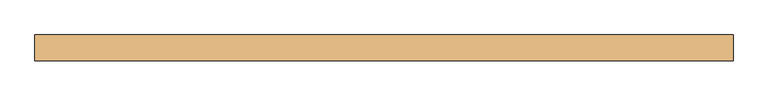
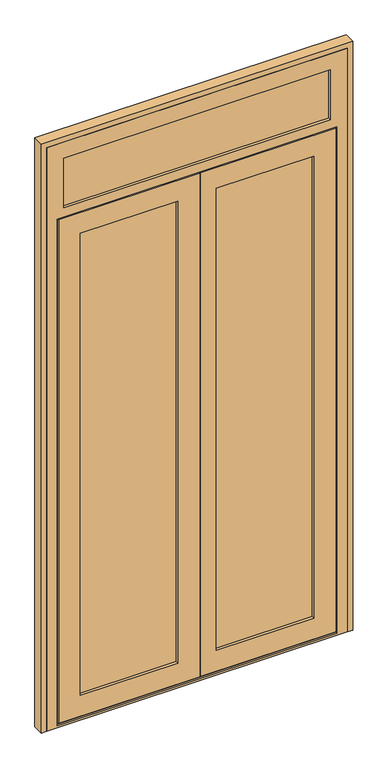
"""IFC4 building model written with IfcOpenShell, lengths in millimetres: door geometry."""

import ifcopenshell
import ifcopenshell.guid

model = None  # the IFC model being written
_history = None  # IfcOwnerHistory: only IFC2X3 demands one
_inside = {}  # id of a spatial element -> (the spatial element, [elements in it])
_under = {}  # id of a project, library or spatial element -> (it, [spatial elements below it])
_declared = {}  # id of a project -> (the project, [libraries it declares])
_typed = {}  # id of a type object -> (the type object, [elements of that type])
_made_of = {}  # id of a material, layer set ... -> (it, [elements and type objects made of it])


def new_model(schema):
    """Start an empty IFC model of exactly this schema.

    Asked for "IFC4X3", IfcOpenShell would pick the latest addendum, in which some entities
    have other attributes; the version numbers below select the first issue.
    IFC2X3 requires an IfcOwnerHistory on every rooted entity: one is made here for all.
    """
    global model, _history
    if schema == "IFC4X3":
        model = ifcopenshell.file(schema_version=(4, 3, 0, 0))
    else:
        model = ifcopenshell.file(schema=schema)
    _inside.clear()
    _under.clear()
    _declared.clear()
    _typed.clear()
    _made_of.clear()
    _history = None
    if model.schema == "IFC2X3":
        org = make("IfcOrganization", Name="unknown")
        user = make(
            "IfcPersonAndOrganization",
            ThePerson=make("IfcPerson", FamilyName="unknown"),
            TheOrganization=org,
        )
        app = make(
            "IfcApplication",
            ApplicationDeveloper=org,
            Version="unknown",
            ApplicationFullName="unknown",
            ApplicationIdentifier="unknown",
        )
        _history = make(
            "IfcOwnerHistory",
            OwningUser=user,
            OwningApplication=app,
            ChangeAction="ADDED",
            CreationDate=0,
        )
    return model


def make(cls, **values):
    """One entity of the class cls with the attributes given. An attribute that is None is left unset."""
    return model.create_entity(
        cls, **{name: value for name, value in values.items() if value is not None}
    )


def rooted(cls, **values):
    """An entity with a GlobalId (a new one), such as an element, a storey or a relation."""
    return make(cls, GlobalId=ifcopenshell.guid.new(), OwnerHistory=_history, **values)


def si_unit(unit_type, name, prefix=None):
    """IfcSIUnit, for example si_unit("LENGTHUNIT", "METRE", prefix="MILLI")."""
    return make("IfcSIUnit", UnitType=unit_type, Prefix=prefix, Name=name)


def assignment(units):
    """IfcUnitAssignment: the units of a project."""
    return None if units is None else make("IfcUnitAssignment", Units=units)


def point(xyz):
    """IfcCartesianPoint."""
    return None if xyz is None else make("IfcCartesianPoint", Coordinates=xyz)


def direction(xyz):
    """IfcDirection."""
    return None if xyz is None else make("IfcDirection", DirectionRatios=xyz)


def frame(location, z_axis=None, x_axis=None):
    """IfcAxis2Placement3D, a coordinate frame: its origin and axes. An axis left out is left unset."""
    return make(
        "IfcAxis2Placement3D",
        Location=point(location),
        Axis=direction(z_axis),
        RefDirection=direction(x_axis),
    )


def origin():
    """The frame at (0, 0, 0) with its axes left unset."""
    return frame((0.0, 0.0, 0.0))


def place(relative_to, where):
    """IfcLocalPlacement: puts the frame where relative to a parent placement (None: the world)."""
    return make(
        "IfcLocalPlacement", PlacementRelTo=relative_to, RelativePlacement=where
    )


def context(
    kind, dimensions, precision=None, world=None, true_north=None, identifier=None
):
    """IfcGeometricRepresentationContext, for example the 3D "Model" context."""
    return make(
        "IfcGeometricRepresentationContext",
        ContextIdentifier=identifier,
        ContextType=kind,
        CoordinateSpaceDimension=dimensions,
        Precision=precision,
        WorldCoordinateSystem=world,
        TrueNorth=true_north,
    )


def project(units=None, contexts=None):
    """IfcProject with its units and contexts."""
    return rooted(
        "IfcProject",
        Name="project",
        RepresentationContexts=contexts,
        UnitsInContext=assignment(units),
    )


def spatial(cls, under=None, at=None, **own):
    """A site, building, storey or space (cls), placed at a placement, below another one or the project."""
    s = rooted(cls, ObjectPlacement=at, **own)
    if under is not None:
        _under.setdefault(under.id(), (under, []))[1].append(s)
    return s


def polyline(points):
    """IfcPolyline through the points."""
    return make("IfcPolyline", Points=[point(p) for p in points])


def outline(outer, holes=None, kind="AREA"):
    """IfcArbitraryClosedProfileDef: a profile drawn as a closed curve; with holes, ...WithVoids."""
    if holes is None:
        return make("IfcArbitraryClosedProfileDef", ProfileType=kind, OuterCurve=outer)
    return make(
        "IfcArbitraryProfileDefWithVoids",
        ProfileType=kind,
        OuterCurve=outer,
        InnerCurves=holes,
    )


def extrude(swept, where, along, depth):
    """IfcExtrudedAreaSolid: the profile swept, set in the frame where, extruded along a direction by depth."""
    return make(
        "IfcExtrudedAreaSolid",
        SweptArea=swept,
        Position=where,
        ExtrudedDirection=direction(along),
        Depth=depth,
    )


def faces_of(points, faces, orient=None, outer=None):
    """IfcFace entities. A face is a list of loops; a loop is a list of indices into points, from 0.

    orient and outer hold one flag for each loop. By default every Orientation is true, the
    first loop of a face is its IfcFaceOuterBound and the others are IfcFaceBound.
    """
    made = []
    for i, loops in enumerate(faces):
        bounds = []
        for j, loop in enumerate(loops):
            is_outer = j == 0 if outer is None else outer[i][j]
            bounds.append(
                make(
                    "IfcFaceOuterBound" if is_outer else "IfcFaceBound",
                    Bound=make("IfcPolyLoop", Polygon=[points[k] for k in loop]),
                    Orientation=True if orient is None else orient[i][j],
                )
            )
        made.append(make("IfcFace", Bounds=bounds))
    return made


def faceted_brep(points, faces, orient=None, outer=None, voids=None):
    """IfcFacetedBrep: a solid bounded by flat faces; with voids (closed shells), ...WithVoids."""
    shared = [point(p) for p in points]
    hull = make("IfcClosedShell", CfsFaces=faces_of(shared, faces, orient, outer))
    if voids is None:
        return make("IfcFacetedBrep", Outer=hull)
    return make(
        "IfcFacetedBrepWithVoids",
        Outer=hull,
        Voids=[
            make(cls, CfsFaces=faces_of(shared, fs, o, b)) for cls, fs, o, b in voids
        ],
    )


def shape(context_of_items, identifier, shape_type, items):
    """IfcShapeRepresentation: the items that make up one representation, for example the "Body"."""
    return make(
        "IfcShapeRepresentation",
        ContextOfItems=context_of_items,
        RepresentationIdentifier=identifier,
        RepresentationType=shape_type,
        Items=items,
    )


def source(mapping_origin, context_of_items, identifier, shape_type, items):
    """IfcRepresentationMap: a shape defined once, which mapped items show again and again."""
    return make(
        "IfcRepresentationMap",
        MappingOrigin=mapping_origin,
        MappedRepresentation=shape(context_of_items, identifier, shape_type, items),
    )


def transform(
    local_origin,
    x_axis=None,
    y_axis=None,
    z_axis=None,
    scale=None,
    scale2=None,
    scale3=None,
    uniform=True,
):
    """IfcCartesianTransformationOperator3D, or its non-uniform kind. x_axis, y_axis, z_axis: its Axis1, 2, 3."""
    if uniform:
        return make(
            "IfcCartesianTransformationOperator3D",
            Axis1=direction(x_axis),
            Axis2=direction(y_axis),
            LocalOrigin=point(local_origin),
            Scale=scale,
            Axis3=direction(z_axis),
        )
    return make(
        "IfcCartesianTransformationOperator3DnonUniform",
        Axis1=direction(x_axis),
        Axis2=direction(y_axis),
        LocalOrigin=point(local_origin),
        Scale=scale,
        Axis3=direction(z_axis),
        Scale2=scale2,
        Scale3=scale3,
    )


def mapped(mapping_source, mapping_target):
    """IfcMappedItem: shows the shape of a source again, moved by a transform."""
    return make(
        "IfcMappedItem", MappingSource=mapping_source, MappingTarget=mapping_target
    )


def made_of(thing, what):
    """Note that an element or type object is made of a material, layer set ...; save() writes the relation."""
    if what is not None:
        _made_of.setdefault(what.id(), (what, []))[1].append(thing)
    return thing


def element(
    cls,
    number,
    at=None,
    inside=None,
    cuts=None,
    type_object=None,
    material=None,
    context=None,
    identifier="Body",
    shape_type=None,
    held_by="IfcProductDefinitionShape",
    body=None,
    shapes=None,
    **own,
):
    """One element of the class cls, such as IfcWall. Its Tag is "e" and its number.

    at: its placement. inside: the storey or other place that contains it. cuts: it is an
    opening in that element (IfcRelVoidsElement). A single representation is given by context,
    identifier, shape_type and body (its items); several are given by shapes. held_by: the class
    of the entity that holds the representations. save() writes the other relations.
    """
    e = rooted(cls, Tag="e%d" % number, ObjectPlacement=at, **own)
    if body is not None:
        shapes = [shape(context, identifier, shape_type, body)]
    if shapes is not None:
        e.Representation = make(held_by, Representations=shapes)
    if inside is not None:
        _inside.setdefault(inside.id(), (inside, []))[1].append(e)
    if cuts is not None:
        rooted(
            "IfcRelVoidsElement", RelatingBuildingElement=cuts, RelatedOpeningElement=e
        )
    if type_object is not None:
        _typed.setdefault(type_object.id(), (type_object, []))[1].append(e)
    return made_of(e, material)


def aggregate(whole, parts):
    """IfcRelAggregates: a whole, such as a stair, and the parts it consists of."""
    return rooted("IfcRelAggregates", RelatingObject=whole, RelatedObjects=parts)


def save(model, path):
    """Write the relations noted so far, then the file.

    IfcRelAggregates (storeys below a building ...), IfcRelContainedInSpatialStructure (elements
    in a storey), IfcRelDefinesByType, IfcRelAssociatesMaterial and IfcRelDeclares: one each for
    every whole, place, type object, material and project.
    """
    for whole, parts in _under.values():
        aggregate(whole, parts)
    for where, things in _inside.values():
        rooted(
            "IfcRelContainedInSpatialStructure",
            RelatedElements=things,
            RelatingStructure=where,
        )
    for kind, things in _typed.values():
        rooted("IfcRelDefinesByType", RelatedObjects=things, RelatingType=kind)
    for what, things in _made_of.values():
        rooted("IfcRelAssociatesMaterial", RelatedObjects=things, RelatingMaterial=what)
    for by, libraries in _declared.values():
        rooted("IfcRelDeclares", RelatingContext=by, RelatedDefinitions=libraries)
    model.write(path)


def door_bba0e1b2(model_context):
    return source(origin(), model_context, "Body", "SolidModel", [
        extrude(outline(polyline([(69.0, 91.0), (69.0, 68.0), (-343.0, 68.0), (-343.0, 91.0), (69.0, 91.0)])), frame((0.0, 0.0, 83.0), z_axis=(0.0, 0.0, 1.0), x_axis=(1.0, 0.0, 0.0)), (0.0, 0.0, 1.0), 1920.0),
        extrude(outline(polyline([(593.0, 91.0), (593.0, 68.0), (181.0, 68.0), (181.0, 91.0), (593.0, 91.0)])), frame((0.0, 0.0, 83.0), z_axis=(0.0, 0.0, 1.0), x_axis=(1.0, 0.0, 0.0)), (0.0, 0.0, 1.0), 1920.0),
        extrude(outline(polyline([(657.0, 91.0), (657.0, 68.0), (-407.0, 68.0), (-407.0, 91.0), (657.0, 91.0)])), frame((0.0, 0.0, 2093.0), z_axis=(0.0, 0.0, 1.0), x_axis=(1.0, 0.0, 0.0)), (0.0, 0.0, 1.0), 239.0),
        faceted_brep([(-409.0, 64.0, 17.0), (-399.0, 64.0, 17.0), (-399.0, 92.0, 17.0), (-389.0, 92.0, 17.0), (-389.0, 64.0, 17.0), (135.0, 64.0, 17.0), (135.0, 56.0, 17.0), (-409.0, 56.0, 17.0), (659.0, 64.0, 17.0), (659.0, 56.0, 17.0), (140.0, 56.0, 17.0), (140.0, 64.0, 17.0), (639.0, 64.0, 17.0), (639.0, 92.0, 17.0), (649.0, 92.0, 17.0), (649.0, 64.0, 17.0), (-409.0, 56.0, 2069.0), (-409.0, 64.0, 2069.0), (135.0, 56.0, 2069.0), (-325.0, 56.0, 1985.0), (51.0, 56.0, 1985.0), (51.0, 56.0, 101.0), (-325.0, 56.0, 101.0), (659.0, 56.0, 2069.0), (140.0, 56.0, 2069.0), (575.0, 56.0, 101.0), (199.0, 56.0, 101.0), (199.0, 56.0, 1985.0), (575.0, 56.0, 1985.0), (-325.0, 68.0, 101.0), (-325.0, 68.0, 1985.0), (593.0, 68.0, 83.0), (181.0, 68.0, 83.0), (181.0, 68.0, 2003.0), (593.0, 68.0, 2003.0), (575.0, 68.0, 1985.0), (199.0, 68.0, 1985.0), (199.0, 68.0, 101.0), (575.0, 68.0, 101.0), (-343.0, 68.0, 2003.0), (69.0, 68.0, 2003.0), (69.0, 68.0, 83.0), (-343.0, 68.0, 83.0), (51.0, 68.0, 101.0), (51.0, 68.0, 1985.0), (-343.0, 91.0, 83.0), (-343.0, 91.0, 2003.0), (593.0, 91.0, 2003.0), (181.0, 91.0, 2003.0), (181.0, 91.0, 83.0), (593.0, 91.0, 83.0), (575.0, 91.0, 101.0), (199.0, 91.0, 101.0), (199.0, 91.0, 1985.0), (575.0, 91.0, 1985.0), (69.0, 91.0, 83.0), (69.0, 91.0, 2003.0), (-325.0, 91.0, 1985.0), (51.0, 91.0, 1985.0), (51.0, 91.0, 101.0), (-325.0, 91.0, 101.0), (-325.0, 100.0, 101.0), (-325.0, 100.0, 1985.0), (634.0, 100.0, 42.0), (115.0, 100.0, 42.0), (115.0, 100.0, 2044.0), (634.0, 100.0, 2044.0), (575.0, 100.0, 1985.0), (199.0, 100.0, 1985.0), (199.0, 100.0, 101.0), (575.0, 100.0, 101.0), (-384.0, 100.0, 2044.0), (110.0, 100.0, 2044.0), (110.0, 100.0, 42.0), (-384.0, 100.0, 42.0), (51.0, 100.0, 101.0), (51.0, 100.0, 1985.0), (-384.0, 92.0, 42.0), (-384.0, 92.0, 2044.0), (639.0, 92.0, 27.0), (-389.0, 92.0, 27.0), (-399.0, 92.0, 2059.0), (649.0, 92.0, 2059.0), (634.0, 92.0, 2044.0), (115.0, 92.0, 2044.0), (115.0, 92.0, 42.0), (634.0, 92.0, 42.0), (110.0, 92.0, 42.0), (110.0, 92.0, 2044.0), (-399.0, 64.0, 2059.0), (135.0, 64.0, 2069.0), (135.0, 64.0, 2059.0), (649.0, 64.0, 2059.0), (140.0, 64.0, 2059.0), (140.0, 64.0, 2069.0), (659.0, 64.0, 2069.0), (639.0, 64.0, 27.0), (-389.0, 64.0, 27.0), (140.0, 64.0, 27.0), (135.0, 64.0, 27.0)], [[[0, 1, 2, 3, 4, 5, 6, 7]], [[8, 9, 10, 11, 12, 13, 14, 15]], [[7, 16, 17, 0]], [[7, 6, 18, 16], [19, 20, 21, 22]], [[23, 24, 10, 9], [25, 26, 27, 28]], [[19, 22, 29, 30]], [[31, 32, 33, 34], [35, 36, 37, 38]], [[39, 40, 41, 42], [29, 43, 44, 30]], [[39, 42, 45, 46]], [[47, 48, 49, 50], [51, 52, 53, 54]], [[45, 55, 56, 46], [57, 58, 59, 60]], [[57, 60, 61, 62]], [[63, 64, 65, 66], [67, 68, 69, 70]], [[71, 72, 73, 74], [61, 75, 76, 62]], [[71, 74, 77, 78]], [[14, 13, 79, 80, 3, 2, 81, 82], [83, 84, 85, 86], [87, 88, 78, 77]], [[1, 89, 81, 2]], [[0, 17, 90, 91, 89, 1]], [[92, 93, 94, 95, 8, 15]], [[16, 18, 90, 17]], [[95, 94, 24, 23]], [[30, 44, 20, 19]], [[28, 27, 36, 35]], [[46, 56, 40, 39]], [[34, 33, 48, 47]], [[62, 76, 58, 57]], [[54, 53, 68, 67]], [[78, 88, 72, 71]], [[66, 65, 84, 83]], [[89, 91, 93, 92, 82, 81]], [[9, 8, 95, 23]], [[35, 38, 25, 28]], [[47, 50, 31, 34]], [[67, 70, 51, 54]], [[83, 86, 63, 66]], [[82, 92, 15, 14]], [[38, 37, 26, 25]], [[22, 21, 43, 29]], [[42, 41, 55, 45]], [[50, 49, 32, 31]], [[70, 69, 52, 51]], [[60, 59, 75, 61]], [[79, 13, 12, 96]], [[97, 4, 3, 80]], [[96, 98, 99, 97, 80, 79]], [[74, 73, 87, 77]], [[86, 85, 64, 63]], [[12, 11, 98, 96]], [[97, 99, 5, 4]], [[65, 64, 85, 84]], [[68, 53, 52, 69]], [[33, 32, 49, 48]], [[36, 27, 26, 37]], [[10, 24, 94, 93, 98, 11]], [[91, 99, 98, 93]], [[5, 99, 91, 90, 18, 6]], [[43, 21, 20, 44]], [[56, 55, 41, 40]], [[75, 59, 58, 76]], [[73, 72, 88, 87]]]),
        faceted_brep([(-455.0, 56.0, 2380.0), (-455.0, 56.0, 0.0), (705.0, 56.0, 0.0), (705.0, 56.0, 2380.0), (639.0, 56.0, 2314.0), (639.0, 56.0, 2111.0), (-389.0, 56.0, 2111.0), (-389.0, 56.0, 2314.0), (-414.0, 56.0, 2074.0), (664.0, 56.0, 2074.0), (664.0, 56.0, 8.0), (-414.0, 56.0, 8.0), (-389.0, 68.0, 2111.0), (-389.0, 68.0, 2314.0), (657.0, 68.0, 2332.0), (657.0, 68.0, 2093.0), (-407.0, 68.0, 2093.0), (-407.0, 68.0, 2332.0), (639.0, 68.0, 2111.0), (639.0, 68.0, 2314.0), (-407.0, 91.0, 2093.0), (-407.0, 91.0, 2332.0), (657.0, 91.0, 2093.0), (657.0, 91.0, 2332.0), (639.0, 91.0, 2314.0), (639.0, 91.0, 2111.0), (-389.0, 91.0, 2111.0), (-389.0, 91.0, 2314.0), (-389.0, 100.0, 2111.0), (-389.0, 100.0, 2314.0), (705.0, 100.0, 2380.0), (705.0, 100.0, 0.0), (-455.0, 100.0, 0.0), (-455.0, 100.0, 2380.0), (639.0, 100.0, 2049.0), (-389.0, 100.0, 2049.0), (-389.0, 100.0, 27.0), (639.0, 100.0, 27.0), (639.0, 100.0, 2111.0), (639.0, 100.0, 2314.0), (664.0, 64.0, 8.0), (-414.0, 64.0, 8.0), (664.0, 64.0, 2074.0), (-414.0, 64.0, 2074.0), (649.0, 64.0, 27.0), (-399.0, 64.0, 27.0), (-399.0, 64.0, 2059.0), (649.0, 64.0, 2059.0), (649.0, 92.0, 27.0), (639.0, 92.0, 27.0), (-389.0, 92.0, 27.0), (-399.0, 92.0, 27.0), (-399.0, 92.0, 2059.0), (649.0, 92.0, 2059.0), (-389.0, 92.0, 2049.0), (639.0, 92.0, 2049.0)], [[[0, 1, 2, 3], [4, 5, 6, 7], [8, 9, 10, 11]], [[7, 6, 12, 13]], [[14, 15, 16, 17], [13, 12, 18, 19]], [[17, 16, 20, 21]], [[21, 20, 22, 23], [24, 25, 26, 27]], [[27, 26, 28, 29]], [[30, 31, 32, 33], [34, 35, 36, 37], [28, 38, 39, 29]], [[32, 1, 0, 33]], [[7, 13, 19, 4]], [[17, 21, 23, 14]], [[27, 29, 39, 24]], [[3, 30, 33, 0]], [[19, 18, 5, 4]], [[23, 22, 15, 14]], [[39, 38, 25, 24]], [[2, 31, 30, 3]], [[10, 40, 41, 11]], [[41, 40, 42, 43], [44, 45, 46, 47]], [[44, 48, 49, 37, 36, 50, 51, 45]], [[1, 32, 31, 2]], [[12, 6, 5, 18]], [[8, 43, 42, 9]], [[46, 52, 53, 47]], [[48, 53, 52, 51, 50, 54, 55, 49]], [[34, 55, 54, 35]], [[28, 26, 25, 38]], [[16, 15, 22, 20]], [[35, 54, 50, 36]], [[45, 51, 52, 46]], [[11, 41, 43, 8]], [[9, 42, 40, 10]], [[47, 53, 48, 44]], [[37, 49, 55, 34]]]),
        extrude(outline(polyline([(2400.0, -475.0), (0.0, -475.0), (0.0, -455.0), (2380.0, -455.0), (2380.0, 705.0), (0.0, 705.0), (0.0, 725.0), (2400.0, 725.0), (2400.0, -475.0)])), frame((0.0, 56.0, 0.0), z_axis=(0.0, 1.0, 0.0), x_axis=(0.0, 0.0, 1.0)), (0.0, 0.0, 1.0), 44.0),
    ])


if __name__ == "__main__":
    model = new_model("IFC4")
    model_context = context("Model", 3, world=origin())
    ifc_project = project(units=[si_unit("LENGTHUNIT", "METRE", prefix="MILLI")], contexts=[model_context])
    site = spatial("IfcSite", under=ifc_project)
    building = spatial("IfcBuilding", under=site)
    placement = place(None, origin())
    door_shape = door_bba0e1b2(model_context)
    element("IfcDoor", 1, at=placement, inside=building, context=model_context, shape_type="MappedRepresentation", body=[
        mapped(door_shape, transform((0.0, 0.0, 0.0), x_axis=(1.0, 0.0, 0.0), y_axis=(0.0, 1.0, 0.0), z_axis=(0.0, 0.0, 1.0))),
    ])
    save(model, "model.ifc")
